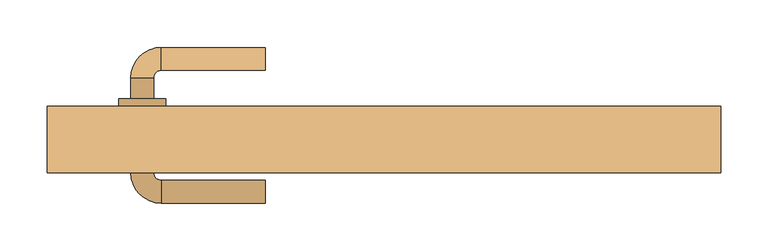
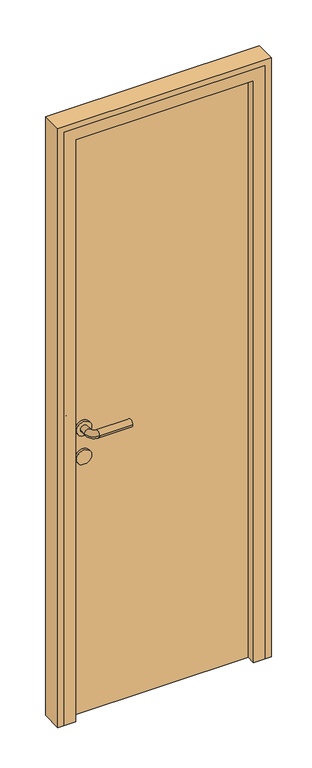
"""IFC4 building model written with IfcOpenShell, lengths in millimetres: door geometry."""

from ifc_helpers import new_model, si_unit, point, frame, frame_2d, origin, origin_with_axes, place, context, project, spatial, polyline, circle_curve, ellipse_curve, trimmed, segment, composite_curve, outline, extrude, faceted_brep, source, transform, mapped, element, save
from ifc_brep_helpers import plane_surface, cylinder_surface, revolved_surface, advanced_brep


def door_eb6a2983(model_context):
    return source(origin(), model_context, "Body", "SolidModel", [
        advanced_brep(
        [(-125.0, 132.0, 1000.0), (-125.0, 108.0, 1000.0), (-235.0, 132.0, 1000.0), (-235.0, 108.0, 1000.0), (-267.0, 100.0, 1000.0), (-243.0, 100.0, 1000.0), (-267.0, 78.0, 1000.0), (-243.0, 78.0, 1000.0), (-267.0, 0.0, 1000.0), (-243.0, 0.0, 1000.0), (-243.0, 22.0, 1000.0), (-267.0, 22.0, 1000.0), (-235.0, -32.0, 1000.0), (-235.0, -8.0, 1000.0), (-125.0, -32.0, 1000.0), (-125.0, -8.0, 1000.0), (-230.0, 22.0, 1000.0), (-280.0, 22.0, 1000.0), (-230.0, 78.0, 1000.0), (-280.0, 78.0, 1000.0)],
        [
            (0, 1, circle_curve(frame((-125.0, 120.0, 1000.0), z_axis=(1.0, 0.0, 0.0), x_axis=(0.0, -1.0, 0.0)), 12.0)),
            (1, 0, circle_curve(frame((-125.0, 120.0, 1000.0), z_axis=(1.0, 0.0, 0.0), x_axis=(0.0, -1.0, 0.0)), 12.0)),
            (0, 2),
            (2, 3, circle_curve(frame((-235.0, 120.0, 1000.0), z_axis=(1.0, 0.0, 0.0), x_axis=(0.0, -1.0, 0.0)), 12.0)),
            (3, 1),
            (3, 2, circle_curve(frame((-235.0, 120.0, 1000.0), z_axis=(1.0, 0.0, 0.0), x_axis=(0.0, -1.0, 0.0)), 12.0)),
            (2, 4, circle_curve(frame((-235.0, 100.0, 1000.0), z_axis=(0.0, 0.0, 1.0), x_axis=(0.0, 1.0, 0.0)), 32.0)),
            (4, 5, circle_curve(frame((-255.0, 100.0, 1000.0), z_axis=(0.0, 1.0, 0.0), x_axis=(1.0, 0.0, 0.0)), 12.0)),
            (5, 3, circle_curve(frame((-235.0, 100.0, 1000.0), z_axis=(0.0, 0.0, -1.0), x_axis=(0.0, 1.0, 0.0)), 8.0)),
            (5, 4, circle_curve(frame((-255.0, 100.0, 1000.0), z_axis=(0.0, 1.0, 0.0), x_axis=(1.0, 0.0, 0.0)), 12.0)),
            (4, 6),
            (6, 7, circle_curve(frame((-255.0, 78.0, 1000.0), z_axis=(0.0, 1.0, 0.0), x_axis=(1.0, 0.0, 0.0)), 12.0)),
            (7, 5),
            (8, 9, circle_curve(frame((-255.0, 0.0, 1000.0), z_axis=(0.0, 1.0, 0.0), x_axis=(1.0, 0.0, 0.0)), 12.0)),
            (9, 10),
            (10, 11, circle_curve(frame((-255.0, 22.0, 1000.0), z_axis=(0.0, -1.0, 0.0), x_axis=(1.0, 0.0, 0.0)), 12.0)),
            (11, 8),
            (7, 6, circle_curve(frame((-255.0, 78.0, 1000.0), z_axis=(0.0, 1.0, 0.0), x_axis=(1.0, 0.0, 0.0)), 12.0)),
            (9, 8, circle_curve(frame((-255.0, 0.0, 1000.0), z_axis=(0.0, 1.0, 0.0), x_axis=(1.0, 0.0, 0.0)), 12.0)),
            (11, 10, circle_curve(frame((-255.0, 22.0, 1000.0), z_axis=(0.0, -1.0, 0.0), x_axis=(1.0, 0.0, 0.0)), 12.0)),
            (8, 12, circle_curve(frame((-235.0, 0.0, 1000.0), z_axis=(0.0, 0.0, 1.0), x_axis=(-1.0, 0.0, 0.0)), 32.0)),
            (12, 13, circle_curve(frame((-235.0, -20.0, 1000.0), z_axis=(-1.0, 0.0, 0.0), x_axis=(0.0, 1.0, 0.0)), 12.0)),
            (13, 9, circle_curve(frame((-235.0, 0.0, 1000.0), z_axis=(0.0, 0.0, -1.0), x_axis=(-1.0, 0.0, 0.0)), 8.0)),
            (13, 12, circle_curve(frame((-235.0, -20.0, 1000.0), z_axis=(-1.0, 0.0, 0.0), x_axis=(0.0, 1.0, 0.0)), 12.0)),
            (14, 15, circle_curve(frame((-125.0, -20.0, 1000.0), z_axis=(1.0, 0.0, 0.0), x_axis=(0.0, 1.0, 0.0)), 12.0)),
            (15, 14, circle_curve(frame((-125.0, -20.0, 1000.0), z_axis=(1.0, 0.0, 0.0), x_axis=(0.0, 1.0, 0.0)), 12.0)),
            (12, 14),
            (15, 13),
            (16, 17, circle_curve(frame((-255.0, 22.0, 1000.0), z_axis=(0.0, -1.0, 0.0), x_axis=(-1.0, 0.0, 0.0)), 25.0)),
            (17, 16, circle_curve(frame((-255.0, 22.0, 1000.0), z_axis=(0.0, -1.0, 0.0), x_axis=(-1.0, 0.0, 0.0)), 25.0)),
            (18, 19, circle_curve(frame((-255.0, 78.0, 1000.0), z_axis=(0.0, 1.0, 0.0), x_axis=(-1.0, 0.0, 0.0)), 25.0)),
            (19, 18, circle_curve(frame((-255.0, 78.0, 1000.0), z_axis=(0.0, 1.0, 0.0), x_axis=(-1.0, 0.0, 0.0)), 25.0)),
            (16, 18),
            (19, 17),
        ],
        [
            plane_surface(frame((-125.0, 120.0, 1000.0), z_axis=(1.0, 0.0, 0.0), x_axis=(0.0, 0.0, 1.0))),
            cylinder_surface(frame((-125.0, 120.0, 1000.0), z_axis=(1.0, 0.0, 0.0), x_axis=(0.0, -1.0, 0.0)), 12.0),
            revolved_surface(trimmed(ellipse_curve(frame((-235.0, 120.0, 1000.0), z_axis=(1.0, 0.0, 0.0), x_axis=(0.0, -1.0, 0.0)), 12.0, 12.0), [point((-235.0, 132.0, 1000.0))], [point((-235.0, 108.0, 1000.0))], True, "CARTESIAN"), (-235.0, 100.0, 1000.0), (0.0, 0.0, 1.0)),
            revolved_surface(trimmed(ellipse_curve(frame((-235.0, 120.0, 1000.0), z_axis=(1.0, 0.0, 0.0), x_axis=(0.0, -1.0, 0.0)), 12.0, 12.0), [point((-235.0, 108.0, 1000.0))], [point((-235.0, 132.0, 1000.0))], True, "CARTESIAN"), (-235.0, 100.0, 1000.0), (0.0, 0.0, 1.0)),
            cylinder_surface(frame((-255.0, 100.0, 1000.0), z_axis=(0.0, 1.0, 0.0), x_axis=(1.0, 0.0, 0.0)), 12.0),
            revolved_surface(trimmed(ellipse_curve(frame((-255.0, 0.0, 1000.0), z_axis=(0.0, 1.0, 0.0), x_axis=(1.0, 0.0, 0.0)), 12.0, 12.0), [point((-267.0, 0.0, 1000.0))], [point((-243.0, 0.0, 1000.0))], True, "CARTESIAN"), (-235.0, 0.0, 1000.0), (0.0, 0.0, 1.0)),
            revolved_surface(trimmed(ellipse_curve(frame((-255.0, 0.0, 1000.0), z_axis=(0.0, 1.0, 0.0), x_axis=(1.0, 0.0, 0.0)), 12.0, 12.0), [point((-243.0, 0.0, 1000.0))], [point((-267.0, 0.0, 1000.0))], True, "CARTESIAN"), (-235.0, 0.0, 1000.0), (0.0, 0.0, 1.0)),
            plane_surface(frame((-125.0, -20.0, 1000.0), z_axis=(1.0, 0.0, 0.0), x_axis=(0.0, 0.0, 1.0))),
            cylinder_surface(frame((-235.0, -20.0, 1000.0), z_axis=(-1.0, 0.0, 0.0), x_axis=(0.0, 1.0, 0.0)), 12.0),
            plane_surface(frame((-280.0, 22.0, 1000.0), z_axis=(0.0, -1.0, 0.0), x_axis=(0.0, 0.0, -1.0))),
            plane_surface(frame((-280.0, 78.0, 1000.0), z_axis=(0.0, 1.0, 0.0), x_axis=(0.0, 0.0, 1.0))),
            cylinder_surface(frame((-255.0, 22.0, 1000.0), z_axis=(0.0, 1.0, 0.0), x_axis=(-1.0, 0.0, 0.0)), 25.0),
        ],
        [
            (0, [[1, 2]]),
            (1, [[-1, 3, 4, 5]]),
            (1, [[-2, -5, 6, -3]]),
            (2, [[-4, 7, 8, 9]]),
            (3, [[-6, -9, 10, -7]]),
            (4, [[-8, 11, 12, 13]]),
            (4, [[14, 15, 16, 17]]),
            (4, [[-10, -13, 18, -11]]),
            (4, [[19, -17, 20, -15]]),
            (5, [[-14, 21, 22, 23]]),
            (6, [[-19, -23, 24, -21]]),
            (7, [[25, 26]]),
            (8, [[-22, 27, -26, 28]]),
            (8, [[-24, -28, -25, -27]]),
            (9, [[29, 30], [-16, -20]]),
            (10, [[31, 32], [-12, -18]]),
            (11, [[-29, 33, -32, 34]]),
            (11, [[-30, -34, -31, -33]]),
        ],
    ),
        extrude(outline(composite_curve([segment(trimmed(circle_curve(frame_2d((900.0, -255.0)), 25.0), [point((900.0, -230.0))], [point((900.0, -280.0))], False, "CARTESIAN"), True, "CONTINUOUS"), segment(trimmed(circle_curve(frame_2d((900.0, -255.0)), 25.0), [point((900.0, -280.0))], [point((900.0, -230.0))], False, "CARTESIAN"), True, "CONTINUOUS")], self_intersect=False)), frame((0.0, 22.0, 0.0), z_axis=(0.0, 1.0, 0.0), x_axis=(0.0, 0.0, 1.0)), (0.0, 0.0, 1.0), 56.0),
        extrude(outline(polyline([(305.0, 30.0), (-305.0, 30.0), (-305.0, 70.0), (305.0, 70.0), (305.0, 30.0)])), origin_with_axes(), (0.0, 0.0, 1.0), 2050.0),
        extrude(outline(polyline([(0.0, 355.0), (2100.0, 355.0), (2100.0, -355.0), (0.0, -355.0), (0.0, -335.0), (2080.0, -335.0), (2080.0, 335.0), (0.0, 335.0), (0.0, 355.0)])), frame((0.0, 0.0, 0.0), z_axis=(0.0, 1.0, 0.0), x_axis=(0.0, 0.0, 1.0)), (0.0, 0.0, 1.0), 70.0),
        faceted_brep([(-335.0, 0.0, 0.0), (-335.0, 70.0, 0.0), (-305.0, 70.0, 0.0), (-305.0, 30.0, 0.0), (-295.0, 30.0, 0.0), (-295.0, 0.0, 0.0), (-335.0, 0.0, 2080.0), (-335.0, 70.0, 2080.0), (335.0, 70.0, 2080.0), (335.0, 70.0, 0.0), (305.0, 70.0, 0.0), (305.0, 70.0, 2050.0), (-305.0, 70.0, 2050.0), (-305.0, 30.0, 2050.0), (305.0, 30.0, 2050.0), (305.0, 30.0, 0.0), (295.0, 30.0, 0.0), (295.0, 30.0, 2040.0), (-295.0, 30.0, 2040.0), (-295.0, 0.0, 2040.0), (295.0, 0.0, 2040.0), (295.0, 0.0, 0.0), (335.0, 0.0, 0.0), (335.0, 0.0, 2080.0)], [[[0, 1, 2, 3, 4, 5]], [[1, 0, 6, 7]], [[2, 1, 7, 8, 9, 10, 11, 12]], [[3, 2, 12, 13]], [[4, 3, 13, 14, 15, 16, 17, 18]], [[5, 4, 18, 19]], [[0, 5, 19, 20, 21, 22, 23, 6]], [[7, 6, 23, 8]], [[13, 12, 11, 14]], [[19, 18, 17, 20]], [[22, 21, 16, 15, 10, 9]], [[8, 23, 22, 9]], [[14, 11, 10, 15]], [[20, 17, 16, 21]]]),
    ])


if __name__ == "__main__":
    model = new_model("IFC4")
    model_context = context("Model", 3, world=origin())
    ifc_project = project(units=[si_unit("LENGTHUNIT", "METRE", prefix="MILLI")], contexts=[model_context])
    site = spatial("IfcSite", under=ifc_project)
    building = spatial("IfcBuilding", under=site)
    placement = place(None, origin())
    door_shape = door_eb6a2983(model_context)
    element("IfcDoor", 1, at=placement, inside=building, context=model_context, shape_type="MappedRepresentation", body=[
        mapped(door_shape, transform((0.0, 0.0, 0.0), x_axis=(1.0, 0.0, 0.0), y_axis=(0.0, 1.0, 0.0), z_axis=(0.0, 0.0, 1.0))),
    ])
    save(model, "model.ifc")
